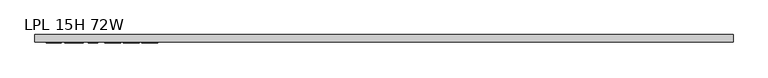
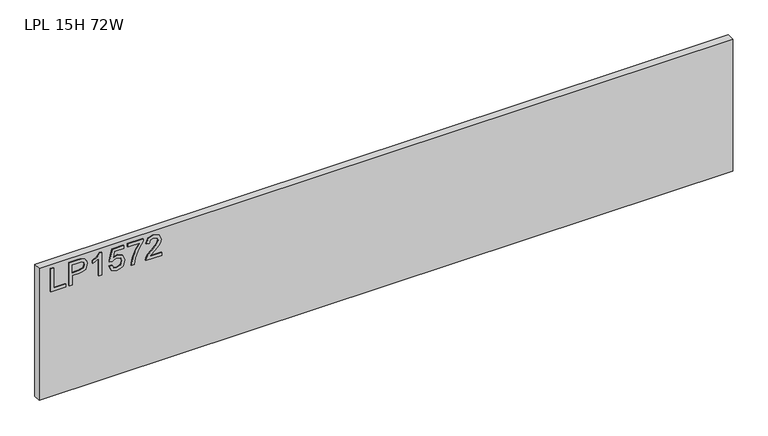
"""IFC4 building model written with IfcOpenShell, lengths in millimetres: furniture geometry, LPL 15H 72W."""

from ifc_helpers import new_model, si_unit, frame, origin, place, context, project, spatial, polyline, outline, extrude, source, transform, mapped, element, save


def lpl_15h_72w_a74ce4d0(model_context):
    return source(origin(), model_context, "Body", "SweptSolid", [
        extrude(outline(polyline([(1309.6772502, 29.4553512), (1309.6772502, 69.3239493), (1317.6509698, 69.3239493), (1317.6509698, 37.4290708), (1373.4670071, 37.4290708), (1373.4670071, 29.4553512), (1309.6772502, 29.4553512)])), frame((0.0, -21.68525, 0.0), z_axis=(0.0, 1.0, 0.0), x_axis=(0.0, 0.0, 1.0)), (0.0, 0.0, 1.0), 2.38125),
        extrude(outline(polyline([(1309.6772502, 78.2943838), (1309.6772502, 86.2681034), (1335.591839, 86.2681034), (1335.591839, 102.4802951), (1337.0012562, 113.8081941), (1341.2295079, 121.0051769), (1355.0122069, 126.1367015), (1363.7101022, 124.2367137), (1369.8772759, 119.2142047), (1372.859634, 111.4663033), (1373.4670071, 101.9352166), (1373.4670071, 78.2943838), (1309.6772502, 78.2943838)]), holes=[polyline([(1343.5655586, 86.2681034), (1365.4932875, 86.2681034), (1365.4932875, 102.7606212), (1364.948209, 110.7343408), (1361.3351173, 116.1150442), (1354.7318808, 118.1629819), (1346.4934087, 114.6900533), (1343.5655586, 102.9475052), (1343.5655586, 86.2681034)])]), frame((0.0, -21.68525, 0.0), z_axis=(0.0, 1.0, 0.0), x_axis=(0.0, 0.0, 1.0)), (0.0, 0.0, 1.0), 2.38125),
        extrude(outline(polyline([(1309.6772502, 164.0118697), (1373.4670071, 164.0118697), (1373.4670071, 158.8725582), (1364.9793564, 151.778751), (1357.5195679, 140.0907109), (1349.9819111, 140.0907109), (1354.0077051, 148.4849196), (1359.3884084, 156.0381501), (1309.6772502, 156.0381501), (1309.6772502, 164.0118697)])), frame((0.0, -21.68525, 0.0), z_axis=(0.0, 1.0, 0.0), x_axis=(0.0, 0.0, 1.0)), (0.0, 0.0, 1.0), 2.38125),
        extrude(outline(polyline([(1326.6214044, 182.9494538), (1313.5940285, 189.1711354), (1308.6805352, 203.2419473), (1310.5922034, 212.632871), (1316.3272078, 219.8123334), (1331.1221953, 224.8114818), (1345.8237409, 219.259468), (1351.5392782, 205.624719), (1346.9294715, 193.9600393), (1364.4965726, 197.3706733), (1364.4965726, 221.821337), (1372.4702922, 221.821337), (1372.4702922, 190.9231734), (1339.5786988, 183.9461688), (1338.5819838, 191.9198884), (1342.1795018, 196.3973188), (1343.5655586, 203.397684), (1340.0926299, 213.4972097), (1330.6238379, 216.8377622), (1320.4775911, 213.2713915), (1316.6542549, 203.2730946), (1319.4030078, 194.9411806), (1327.6181193, 190.9231734), (1326.6214044, 182.9494538)])), frame((0.0, -21.68525, 0.0), z_axis=(0.0, 1.0, 0.0), x_axis=(0.0, 0.0, 1.0)), (0.0, 0.0, 1.0), 2.38125),
        extrude(outline(polyline([(1364.4965726, 231.7884865), (1364.4965726, 265.6767948), (1347.996268, 253.6227734), (1327.6648404, 244.9248781), (1309.6772502, 241.755636), (1309.6772502, 249.7293556), (1327.0107462, 252.6883531), (1348.8683936, 261.7755902), (1366.0227923, 273.6505145), (1372.4702922, 273.6505145), (1372.4702922, 231.7884865), (1364.4965726, 231.7884865)])), frame((0.0, -21.68525, 0.0), z_axis=(0.0, 1.0, 0.0), x_axis=(0.0, 0.0, 1.0)), (0.0, 0.0, 1.0), 2.38125),
        extrude(outline(polyline([(1317.6509698, 321.4928322), (1317.6509698, 290.1741795), (1321.7079111, 293.7716976), (1329.3779442, 302.9445899), (1340.3028745, 314.3678776), (1348.1208574, 319.0789132), (1355.6818747, 320.4961172), (1368.358843, 315.2400032), (1373.4670071, 300.9667336), (1368.8727742, 286.7401851), (1355.526138, 280.6275191), (1354.5294231, 288.6012388), (1362.581011, 291.9573649), (1365.4932875, 300.7954232), (1362.5109295, 309.2752872), (1355.1990909, 312.5223976), (1346.1663617, 309.0806163), (1332.8820202, 295.313491), (1323.6390464, 285.3307678), (1315.1747561, 280.4873561), (1309.6772502, 279.6308042), (1309.6772502, 321.4928322), (1317.6509698, 321.4928322)])), frame((0.0, -21.68525, 0.0), z_axis=(0.0, 1.0, 0.0), x_axis=(0.0, 0.0, 1.0)), (0.0, 0.0, 1.0), 2.38125),
        extrude(outline(polyline([(1828.8, 0.0), (1828.8, -19.304), (0.0, -19.304), (0.0, 0.0), (1828.8, 0.0)])), frame((0.0, 0.0, 1016.0), z_axis=(0.0, 0.0, 1.0), x_axis=(1.0, 0.0, 0.0)), (0.0, 0.0, 1.0), 368.3),
    ])


if __name__ == "__main__":
    model = new_model("IFC4")
    model_context = context("Model", 3, world=origin())
    ifc_project = project(units=[si_unit("LENGTHUNIT", "METRE", prefix="MILLI")], contexts=[model_context])
    site = spatial("IfcSite", under=ifc_project)
    building = spatial("IfcBuilding", under=site)
    placement = place(None, origin())
    lpl_15h_72w_shape = lpl_15h_72w_a74ce4d0(model_context)
    element("IfcFurniture", 1, ObjectType="LPL 15H 72W", at=placement, inside=building, context=model_context, shape_type="MappedRepresentation", body=[
        mapped(lpl_15h_72w_shape, transform((0.0, 0.0, 0.0), x_axis=(1.0, 0.0, 0.0), y_axis=(0.0, 1.0, 0.0), z_axis=(0.0, 0.0, 1.0))),
    ])
    save(model, "model.ifc")
